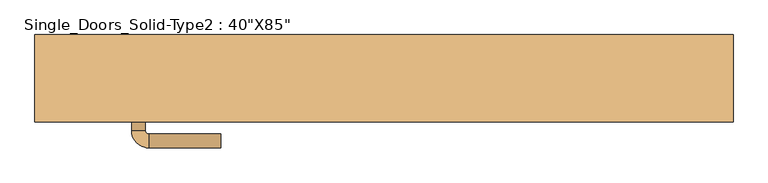
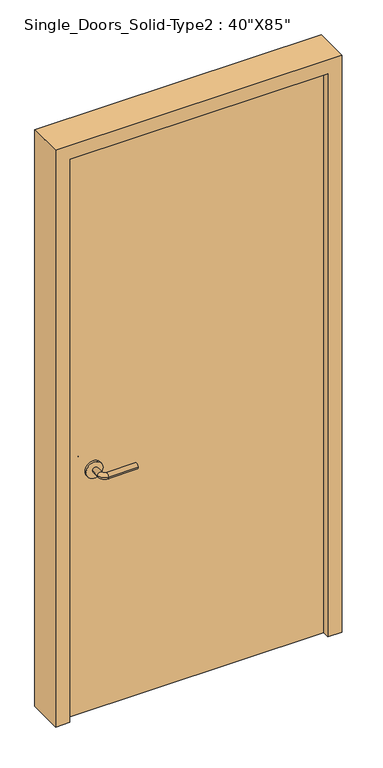
"""IFC4 building model written with IfcOpenShell, lengths in millimetres: door geometry."""

from ifc_helpers import new_model, si_unit, point, frame, frame_2d, origin, origin_with_axes, place, context, project, spatial, polyline, circle_curve, ellipse_curve, trimmed, segment, composite_curve, outline, extrude, source, transform, mapped, element, save
from ifc_brep_helpers import plane_surface, cylinder_surface, revolved_surface, advanced_brep


def door_d0fbeb25(model_context):
    return source(origin(), model_context, "Body", "SolidModel", [
        advanced_brep(
        [(-367.2, -46.1, 900.0), (-347.2, -46.1, 900.0), (-347.2, -76.1, 900.0), (-367.2, -76.1, 900.0), (-342.2, -81.1, 900.0), (-342.2, -101.1, 900.0), (-237.2, -101.1, 900.0), (-237.2, -81.1, 900.0)],
        [
            (0, 1, circle_curve(frame((-357.2, -46.1, 900.0), z_axis=(0.0, 1.0, 0.0), x_axis=(1.0, 0.0, 0.0)), 10.0)),
            (1, 0, circle_curve(frame((-357.2, -46.1, 900.0), z_axis=(0.0, 1.0, 0.0), x_axis=(1.0, 0.0, 0.0)), 10.0)),
            (1, 2),
            (2, 3, circle_curve(frame((-357.2, -76.1, 900.0), z_axis=(0.0, 1.0, 0.0), x_axis=(1.0, 0.0, 0.0)), 10.0)),
            (3, 0),
            (3, 2, circle_curve(frame((-357.2, -76.1, 900.0), z_axis=(0.0, 1.0, 0.0), x_axis=(1.0, 0.0, 0.0)), 10.0)),
            (4, 5, circle_curve(frame((-342.2, -91.1, 900.0), z_axis=(-1.0, 0.0, 0.0), x_axis=(0.0, 1.0, 0.0)), 10.0)),
            (5, 3, circle_curve(frame((-342.2, -76.1, 900.0), z_axis=(0.0, 0.0, -1.0), x_axis=(-1.0, 0.0, 0.0)), 25.0)),
            (2, 4, circle_curve(frame((-342.2, -76.1, 900.0), z_axis=(0.0, 0.0, 1.0), x_axis=(-1.0, 0.0, 0.0)), 5.0)),
            (5, 4, circle_curve(frame((-342.2, -91.1, 900.0), z_axis=(-1.0, 0.0, 0.0), x_axis=(0.0, 1.0, 0.0)), 10.0)),
            (6, 7, circle_curve(frame((-237.2, -91.1, 900.0), z_axis=(1.0, 0.0, 0.0), x_axis=(0.0, 1.0, 0.0)), 10.0)),
            (7, 6, circle_curve(frame((-237.2, -91.1, 900.0), z_axis=(1.0, 0.0, 0.0), x_axis=(0.0, 1.0, 0.0)), 10.0)),
            (4, 7),
            (6, 5),
        ],
        [
            plane_surface(frame((-357.2, -46.1, 900.0), z_axis=(0.0, 1.0, 0.0), x_axis=(0.0, 0.0, 1.0))),
            cylinder_surface(frame((-357.2, -46.1, 900.0), z_axis=(0.0, 1.0, 0.0), x_axis=(1.0, 0.0, 0.0)), 10.0),
            revolved_surface(trimmed(ellipse_curve(frame((-357.2, -76.1, 900.0), z_axis=(0.0, -1.0, 0.0), x_axis=(1.0, 0.0, 0.0)), 10.0, 10.0), [point((-367.2, -76.1, 900.0))], [point((-347.2, -76.1, 900.0))], True, "CARTESIAN"), (-342.2, -76.1, 900.0), (0.0, 0.0, -1.0)),
            revolved_surface(trimmed(ellipse_curve(frame((-357.2, -76.1, 900.0), z_axis=(0.0, -1.0, 0.0), x_axis=(1.0, 0.0, 0.0)), 10.0, 10.0), [point((-347.2, -76.1, 900.0))], [point((-367.2, -76.1, 900.0))], True, "CARTESIAN"), (-342.2, -76.1, 900.0), (0.0, 0.0, -1.0)),
            plane_surface(frame((-237.2, -91.1, 900.0), z_axis=(1.0, 0.0, 0.0), x_axis=(0.0, 0.0, 1.0))),
            cylinder_surface(frame((-342.2, -91.1, 900.0), z_axis=(-1.0, 0.0, 0.0), x_axis=(0.0, 1.0, 0.0)), 10.0),
        ],
        [
            (0, [[1, 2]]),
            (1, [[3, 4, 5, -2]]),
            (1, [[-5, 6, -3, -1]]),
            (2, [[7, 8, -4, 9]]),
            (3, [[10, -9, -6, -8]]),
            (4, [[11, 12]]),
            (5, [[13, -11, 14, -7]]),
            (5, [[-14, -12, -13, -10]]),
        ],
    ),
        extrude(outline(composite_curve([segment(trimmed(circle_curve(frame_2d((900.0, -359.7)), 30.0), [point((900.0, -389.7))], [point((900.0, -329.7))], False, "CARTESIAN"), True, "CONTINUOUS"), segment(trimmed(circle_curve(frame_2d((900.0, -359.7)), 30.0), [point((900.0, -329.7))], [point((900.0, -389.7))], False, "CARTESIAN"), True, "CONTINUOUS")], self_intersect=False)), frame((0.0, -46.1, 0.0), z_axis=(0.0, 1.0, 0.0), x_axis=(0.0, 0.0, 1.0)), (0.0, 0.0, 1.0), 8.0),
        advanced_brep(
        [(-367.2, 8.0, 900.0), (-347.2, 8.0, 900.0), (-367.2, 38.0, 900.0), (-347.2, 38.0, 900.0), (-342.2, 43.0, 900.0), (-342.2, 63.0, 900.0), (-237.2, 63.0, 900.0), (-237.2, 43.0, 900.0)],
        [
            (0, 1, circle_curve(frame((-357.2, 8.0, 900.0), z_axis=(0.0, -1.0, 0.0), x_axis=(1.0, 0.0, 0.0)), 10.0)),
            (1, 0, circle_curve(frame((-357.2, 8.0, 900.0), z_axis=(0.0, -1.0, 0.0), x_axis=(1.0, 0.0, 0.0)), 10.0)),
            (0, 2),
            (2, 3, circle_curve(frame((-357.2, 38.0, 900.0), z_axis=(0.0, -1.0, 0.0), x_axis=(1.0, 0.0, 0.0)), 10.0)),
            (3, 1),
            (3, 2, circle_curve(frame((-357.2, 38.0, 900.0), z_axis=(0.0, -1.0, 0.0), x_axis=(1.0, 0.0, 0.0)), 10.0)),
            (4, 3, circle_curve(frame((-342.2, 38.0, 900.0), z_axis=(0.0, 0.0, 1.0), x_axis=(-1.0, 0.0, 0.0)), 5.0)),
            (2, 5, circle_curve(frame((-342.2, 38.0, 900.0), z_axis=(0.0, 0.0, -1.0), x_axis=(-1.0, 0.0, 0.0)), 25.0)),
            (5, 4, circle_curve(frame((-342.2, 53.0, 900.0), z_axis=(-1.0, 0.0, 0.0), x_axis=(0.0, -1.0, 0.0)), 10.0)),
            (4, 5, circle_curve(frame((-342.2, 53.0, 900.0), z_axis=(-1.0, 0.0, 0.0), x_axis=(0.0, -1.0, 0.0)), 10.0)),
            (6, 7, circle_curve(frame((-237.2, 53.0, 900.0), z_axis=(1.0, 0.0, 0.0), x_axis=(0.0, -1.0, 0.0)), 10.0)),
            (7, 6, circle_curve(frame((-237.2, 53.0, 900.0), z_axis=(1.0, 0.0, 0.0), x_axis=(0.0, -1.0, 0.0)), 10.0)),
            (5, 6),
            (7, 4),
        ],
        [
            plane_surface(frame((-357.2, 8.0, 900.0), z_axis=(0.0, -1.0, 0.0), x_axis=(0.0, 0.0, 1.0))),
            cylinder_surface(frame((-357.2, 8.0, 900.0), z_axis=(0.0, -1.0, 0.0), x_axis=(1.0, 0.0, 0.0)), 10.0),
            revolved_surface(trimmed(ellipse_curve(frame((-357.2, 38.0, 900.0), z_axis=(0.0, -1.0, 0.0), x_axis=(1.0, 0.0, 0.0)), 10.0, 10.0), [point((-367.2, 38.0, 900.0))], [point((-347.2, 38.0, 900.0))], True, "CARTESIAN"), (-342.2, 38.0, 900.0), (0.0, 0.0, -1.0)),
            revolved_surface(trimmed(ellipse_curve(frame((-357.2, 38.0, 900.0), z_axis=(0.0, -1.0, 0.0), x_axis=(1.0, 0.0, 0.0)), 10.0, 10.0), [point((-347.2, 38.0, 900.0))], [point((-367.2, 38.0, 900.0))], True, "CARTESIAN"), (-342.2, 38.0, 900.0), (0.0, 0.0, -1.0)),
            plane_surface(frame((-237.2, 53.0, 900.0), z_axis=(1.0, 0.0, 0.0), x_axis=(0.0, 0.0, 1.0))),
            cylinder_surface(frame((-342.2, 53.0, 900.0), z_axis=(-1.0, 0.0, 0.0), x_axis=(0.0, -1.0, 0.0)), 10.0),
        ],
        [
            (0, [[1, 2]]),
            (1, [[-1, 3, 4, 5]]),
            (1, [[-2, -5, 6, -3]]),
            (2, [[7, -4, 8, 9]]),
            (3, [[-8, -6, -7, 10]]),
            (4, [[11, 12]]),
            (5, [[-9, 13, -12, 14]]),
            (5, [[-10, -14, -11, -13]]),
        ],
    ),
        extrude(outline(composite_curve([segment(trimmed(circle_curve(frame_2d((900.0, -359.7)), 30.0), [point((900.0, -389.7))], [point((900.0, -329.7))], False, "CARTESIAN"), True, "CONTINUOUS"), segment(trimmed(circle_curve(frame_2d((900.0, -359.7)), 30.0), [point((900.0, -329.7))], [point((900.0, -389.7))], False, "CARTESIAN"), True, "CONTINUOUS")], self_intersect=False)), frame((0.0, 0.0, 0.0), z_axis=(0.0, 1.0, 0.0), x_axis=(0.0, 0.0, 1.0)), (0.0, 0.0, 1.0), 8.0),
        extrude(outline(polyline([(0.0, -508.0), (0.0, -457.2), (2108.2, -457.2), (2108.2, 457.2), (0.0, 457.2), (0.0, 508.0), (2159.0, 508.0), (2159.0, -508.0), (0.0, -508.0)])), frame((0.0, -63.5, 0.0), z_axis=(0.0, 1.0, 0.0), x_axis=(0.0, 0.0, 1.0)), (0.0, 0.0, 1.0), 127.0),
        extrude(outline(polyline([(457.2, -38.1), (-457.2, -38.1), (-457.2, 0.0), (457.2, 0.0), (457.2, -38.1)])), origin_with_axes(), (0.0, 0.0, 1.0), 2108.2),
    ])


if __name__ == "__main__":
    model = new_model("IFC4")
    model_context = context("Model", 3, world=origin())
    ifc_project = project(units=[si_unit("LENGTHUNIT", "METRE", prefix="MILLI")], contexts=[model_context])
    site = spatial("IfcSite", under=ifc_project)
    building = spatial("IfcBuilding", under=site)
    placement = place(None, origin())
    door_shape = door_d0fbeb25(model_context)
    element("IfcDoor", 1, ObjectType="Single_Doors_Solid-Type2 : 40\"X85\"", at=placement, inside=building, context=model_context, shape_type="MappedRepresentation", body=[
        mapped(door_shape, transform((0.0, 0.0, 0.0), x_axis=(1.0, 0.0, 0.0), y_axis=(0.0, 1.0, 0.0), z_axis=(0.0, 0.0, 1.0))),
    ])
    save(model, "model.ifc")
